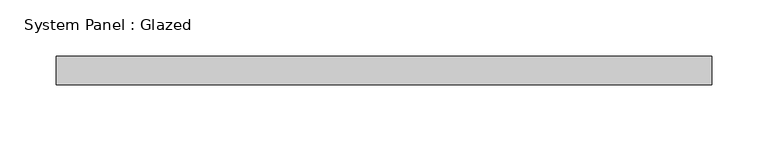
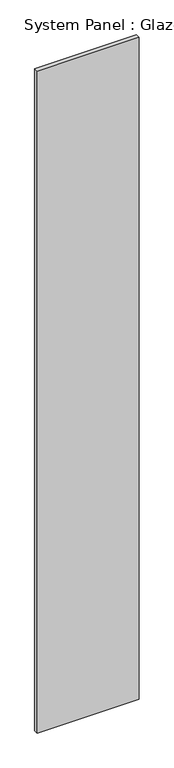
"""IFC4 building model written with IfcOpenShell, lengths in millimetres: plate geometry, System Panel : Glazed."""

from ifc_helpers import new_model, si_unit, origin, origin_with_axes, place, context, project, spatial, polyline, outline, extrude, source, transform, mapped, element, save


def system_panel_glazed_ad0eb51a(model_context):
    return source(origin(), model_context, "Body", "SweptSolid", [
        extrude(outline(polyline([(290.6250001, 24.5), (-290.6250001, 24.5), (-290.6250001, 49.5), (290.6250001, 49.5), (290.6250001, 24.5)])), origin_with_axes(), (0.0, 0.0, 1.0), 4000.0),
    ])


if __name__ == "__main__":
    model = new_model("IFC4")
    model_context = context("Model", 3, world=origin())
    ifc_project = project(units=[si_unit("LENGTHUNIT", "METRE", prefix="MILLI")], contexts=[model_context])
    site = spatial("IfcSite", under=ifc_project)
    building = spatial("IfcBuilding", under=site)
    placement = place(None, origin())
    system_panel_glazed_shape = system_panel_glazed_ad0eb51a(model_context)
    element("IfcPlate", 1, ObjectType="System Panel : Glazed", at=placement, inside=building, context=model_context, shape_type="MappedRepresentation", body=[
        mapped(system_panel_glazed_shape, transform((0.0, 0.0, 0.0), x_axis=(1.0, 0.0, 0.0), y_axis=(0.0, 1.0, 0.0), z_axis=(0.0, 0.0, 1.0))),
    ])
    save(model, "model.ifc")
